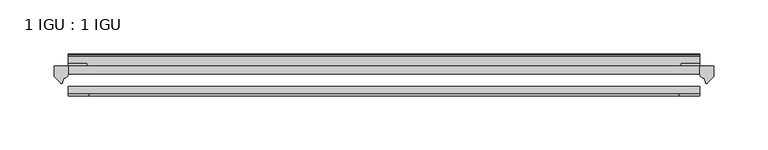
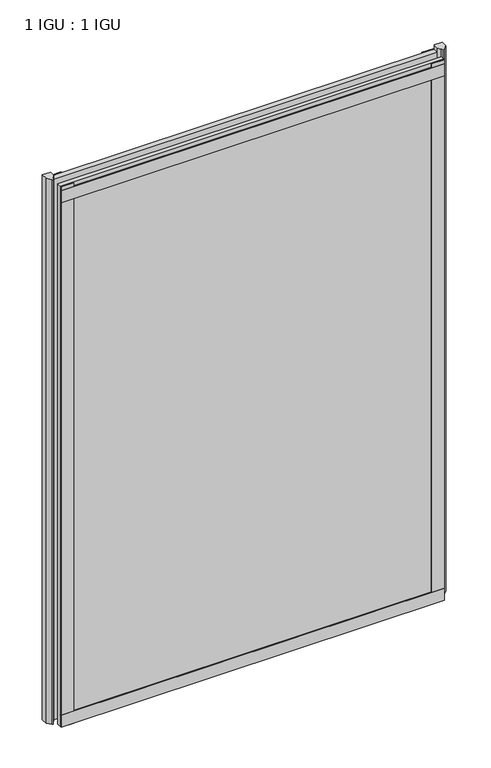
"""IFC4 building model written with IfcOpenShell, lengths in millimetres: plate geometry, 1 IGU : 1 IGU."""

from ifc_helpers import new_model, si_unit, point, frame, frame_2d, origin, place, context, project, spatial, polyline, circle_curve, trimmed, segment, composite_curve, outline, extrude, source, transform, mapped, element, save


def plate_1_igu_1_igu_b56eaf91(model_context):
    return source(origin(), model_context, "Body", "SweptSolid", [
        extrude(outline(polyline([(292.1, -11.6085937), (292.1, -18.8576359), (-292.1, -18.8576359), (-292.1, -11.6085937), (292.1, -11.6085937)])), frame((0.0, 0.0, -19.05), z_axis=(0.0, 0.0, 1.0), x_axis=(1.0, 0.0, 0.0)), (0.0, 0.0, 1.0), 869.9499998),
        extrude(outline(polyline([(-292.1, -30.7093937), (292.1, -30.7093937), (292.1, -37.0085937), (-292.1, -37.0085937), (-292.1, -30.7093937)])), frame((0.0, 0.0, -19.05), z_axis=(0.0, 0.0, 1.0), x_axis=(1.0, 0.0, 0.0)), (0.0, 0.0, 1.0), 869.9499998),
        extrude(outline(composite_curve([segment(polyline([(305.1779091, -11.6101465), (304.8, -21.3502133), (298.8619467, -27.6095865)]), True, "CONTINUOUS"), segment(trimmed(circle_curve(frame_2d((298.1891407, -27.2518492)), 0.762), [point((298.8619467, -27.6095865))], [point((297.4604364, -27.4746364))], False, "CARTESIAN"), True, "CONTINUOUS"), segment(polyline([(297.4604364, -27.4746364), (296.1986019, -23.3488397)]), True, "CONTINUOUS"), segment(trimmed(circle_curve(frame_2d((298.380559, -16.3834724)), 7.2991286), [point((296.1986019, -23.3488397))], [point((292.1001786, -20.1028944))], False, "CARTESIAN"), True, "CONTINUOUS"), segment(polyline([(292.1001786, -20.1028944), (292.1001786, -12.664425)]), True, "CONTINUOUS"), segment(trimmed(circle_curve(frame_2d((298.3814331, -16.3827796)), 7.2993369), [point((292.1001786, -12.664425))], [point((292.858545, -11.6101465))], False, "CARTESIAN"), True, "CONTINUOUS"), segment(polyline([(292.858545, -11.6101465), (305.1779091, -11.6101465)]), True, "CONTINUOUS")], self_intersect=False)), frame((0.0, 0.0, -19.05), z_axis=(0.0, 0.0, 1.0), x_axis=(1.0, 0.0, 0.0)), (0.0, 0.0, 1.0), 877.0873998),
        extrude(outline(composite_curve([segment(polyline([(-292.1, -11.610702), (-292.1, -20.1014769)]), True, "CONTINUOUS"), segment(trimmed(circle_curve(frame_2d((-298.3811943, -16.3829847)), 7.2993552), [point((-292.1, -20.1014769))], [point((-296.1989498, -23.3484994))], False, "CARTESIAN"), True, "CONTINUOUS"), segment(polyline([(-296.1989498, -23.3484994), (-297.4604364, -27.4746364)]), True, "CONTINUOUS"), segment(trimmed(circle_curve(frame_2d((-298.1891407, -27.2518492)), 0.762), [point((-297.4604364, -27.4746364))], [point((-298.8619467, -27.6095865))], False, "CARTESIAN"), True, "CONTINUOUS"), segment(polyline([(-298.8619467, -27.6095865), (-304.8, -21.3502133), (-305.1779091, -11.610702), (-292.1, -11.610702)]), True, "CONTINUOUS")], self_intersect=False)), frame((0.0, 0.0, -19.05), z_axis=(0.0, 0.0, 1.0), x_axis=(1.0, 0.0, 0.0)), (0.0, 0.0, 1.0), 877.0873998),
        extrude(outline(polyline([(-292.1, -39.2945937), (-292.1, -37.0085937), (292.1, -37.0085937), (292.1, -39.2945937), (-292.1, -39.2945937)])), frame((0.0, 0.0, -19.05), z_axis=(0.0, 0.0, 1.0), x_axis=(1.0, 0.0, 0.0)), (0.0, 0.0, 1.0), 19.05),
        extrude(outline(composite_curve([segment(trimmed(circle_curve(frame_2d((-2.5575611, 32.8538976)), 31.3272753), [point((-11.6085937, 2.8626158))], [point((-2.2024699, 1.5286348))], True, "CARTESIAN"), True, "CONTINUOUS"), segment(polyline([(-2.2024699, 1.5286348), (-2.2024699, 0.0), (-5.2585937, 0.0), (-5.2585937, -5.2345509), (-3.3544944, -5.5797863), (-5.2585937, -8.255), (-5.2585937, -11.471876)]), True, "CONTINUOUS"), segment(trimmed(circle_curve(frame_2d((-6.5285937, -11.471876)), 1.27), [point((-5.2585937, -11.471876))], [point((-7.4547667, -12.340843))], False, "CARTESIAN"), True, "CONTINUOUS"), segment(polyline([(-7.4547667, -12.340843), (-11.6085937, -7.9135609), (-11.6085937, 2.8626158)]), True, "CONTINUOUS")], self_intersect=False)), frame((-292.1, 0.0, 0.0), z_axis=(1.0, 0.0, 0.0), x_axis=(0.0, 1.0, 0.0)), (0.0, 0.0, 1.0), 584.2),
        extrude(outline(composite_curve([segment(polyline([(-3.0995937, 840.8194211), (-3.0995937, 838.7874211), (-5.2585937, 838.7874211), (-5.2585937, 833.4534211), (-1.5755937, 833.4534211), (-1.5755937, 830.4054211), (-5.2585937, 830.4054211), (-5.2585937, 825.5794211), (-0.5298657, 826.2440005), (-0.4061408, 825.3636522)]), True, "CONTINUOUS"), segment(trimmed(circle_curve(frame_2d((-1.4122531, 825.2222523)), 1.016), [point((-0.4061408, 825.3636522))], [point((-1.2708533, 824.21614))], False, "CARTESIAN"), True, "CONTINUOUS"), segment(polyline([(-1.2708533, 824.21614), (-11.6085937, 822.7632653), (-11.6085937, 840.8194211), (-3.0995937, 840.8194211)]), True, "CONTINUOUS")], self_intersect=False)), frame((-292.1, 0.0, 0.0), z_axis=(1.0, 0.0, 0.0), x_axis=(0.0, 1.0, 0.0)), (0.0, 0.0, 1.0), 584.2),
        extrude(outline(polyline([(-292.1, -39.2945937), (-292.1, -37.0085937), (292.1, -37.0085937), (292.1, -39.2945937), (-292.1, -39.2945937)])), frame((0.0, 0.0, 825.4999998), z_axis=(0.0, 0.0, 1.0), x_axis=(1.0, 0.0, 0.0)), (0.0, 0.0, 1.0), 19.05),
        extrude(outline(polyline([(273.05, -37.0085937), (292.1, -37.0085937), (292.1, -39.2945938), (273.05, -39.2945938), (273.05, -37.0085937)])), frame((0.0, 0.0, -19.05), z_axis=(0.0, 0.0, 1.0), x_axis=(1.0, 0.0, 0.0)), (0.0, 0.0, 1.0), 869.9499998),
        extrude(outline(polyline([(292.1, -9.3247196), (292.1, -11.6085937), (275.0185, -11.6085937), (275.0185, -9.3247196), (292.1, -9.3247196)])), frame((0.0, 0.0, -19.05), z_axis=(0.0, 0.0, 1.0), x_axis=(1.0, 0.0, 0.0)), (0.0, 0.0, 1.0), 869.9499998),
        extrude(outline(polyline([(-292.1, -39.2945937), (-292.1, -37.0085937), (-273.05, -37.0085937), (-273.05, -39.2945937), (-292.1, -39.2945937)])), frame((0.0, 0.0, -19.05), z_axis=(0.0, 0.0, 1.0), x_axis=(1.0, 0.0, 0.0)), (0.0, 0.0, 1.0), 869.9499998),
        extrude(outline(polyline([(-292.1, -11.6107196), (-292.1, -9.2273437), (-275.0185, -9.2273437), (-275.0185, -11.6107196), (-292.1, -11.6107196)])), frame((0.0, 0.0, -19.05), z_axis=(0.0, 0.0, 1.0), x_axis=(1.0, 0.0, 0.0)), (0.0, 0.0, 1.0), 869.9499998),
    ])


if __name__ == "__main__":
    model = new_model("IFC4")
    model_context = context("Model", 3, world=origin())
    ifc_project = project(units=[si_unit("LENGTHUNIT", "METRE", prefix="MILLI")], contexts=[model_context])
    site = spatial("IfcSite", under=ifc_project)
    building = spatial("IfcBuilding", under=site)
    placement = place(None, origin())
    plate_1_igu_1_igu_shape = plate_1_igu_1_igu_b56eaf91(model_context)
    element("IfcPlate", 1, ObjectType="1 IGU : 1 IGU", at=placement, inside=building, context=model_context, shape_type="MappedRepresentation", body=[
        mapped(plate_1_igu_1_igu_shape, transform((0.0, 0.0, 0.0), x_axis=(1.0, 0.0, 0.0), y_axis=(0.0, 1.0, 0.0), z_axis=(0.0, 0.0, 1.0))),
    ])
    save(model, "model.ifc")
